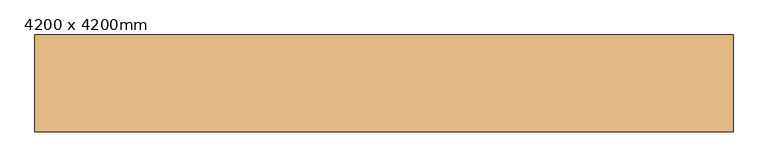
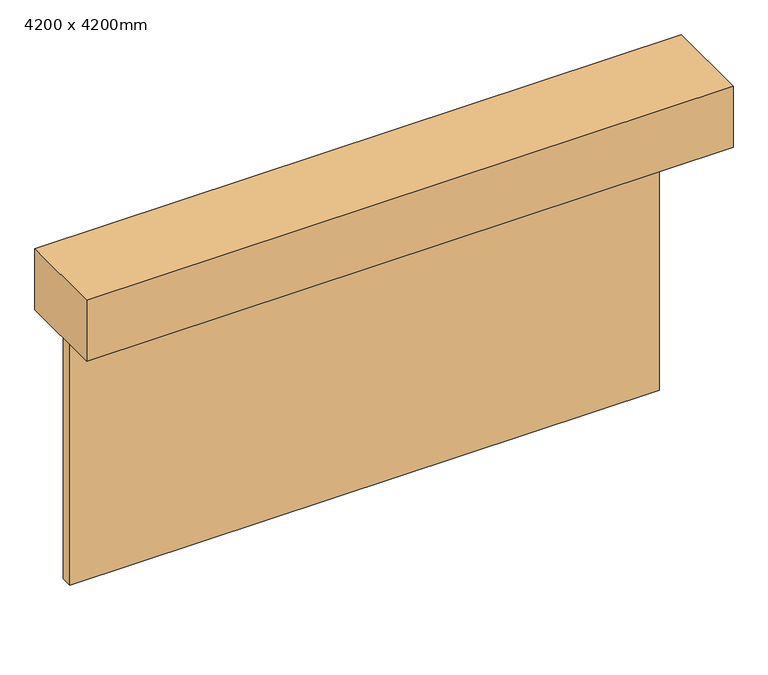
"""IFC4 building model written with IfcOpenShell, lengths in millimetres: door geometry, 4200 x 4200mm."""

from ifc_helpers import new_model, si_unit, frame, origin, origin_with_axes, place, context, project, spatial, polyline, outline, extrude, source, transform, mapped, element, save


def door_4200_x_4200mm_ef9f1e88(model_context):
    return source(origin(), model_context, "Body", "SweptSolid", [
        extrude(outline(polyline([(2303.2, -738.8), (-2303.2, -738.8), (-2303.2, -100.0), (2303.2, -100.0), (2303.2, -738.8)])), frame((0.0, 0.0, 2100.0), z_axis=(0.0, 0.0, 1.0), x_axis=(1.0, 0.0, 0.0)), (0.0, 0.0, 1.0), 457.2),
        extrude(outline(polyline([(2100.0, -100.0), (2100.0, -180.0), (-2100.0, -180.0), (-2100.0, -100.0), (2100.0, -100.0)])), origin_with_axes(), (0.0, 0.0, 1.0), 2100.0),
    ])


if __name__ == "__main__":
    model = new_model("IFC4")
    model_context = context("Model", 3, world=origin())
    ifc_project = project(units=[si_unit("LENGTHUNIT", "METRE", prefix="MILLI")], contexts=[model_context])
    site = spatial("IfcSite", under=ifc_project)
    building = spatial("IfcBuilding", under=site)
    placement = place(None, origin())
    door_4200_x_4200mm_shape = door_4200_x_4200mm_ef9f1e88(model_context)
    element("IfcDoor", 1, ObjectType="4200 x 4200mm", at=placement, inside=building, context=model_context, shape_type="MappedRepresentation", body=[
        mapped(door_4200_x_4200mm_shape, transform((0.0, 0.0, 0.0), x_axis=(1.0, 0.0, 0.0), y_axis=(0.0, 1.0, 0.0), z_axis=(0.0, 0.0, 1.0))),
    ])
    save(model, "model.ifc")
